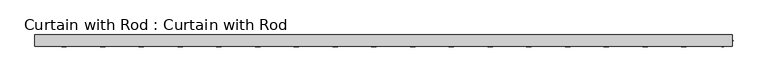
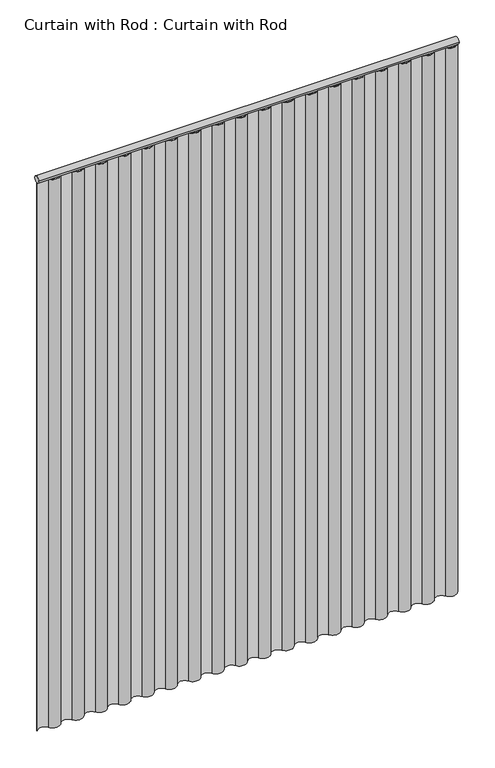
"""IFC4 building model written with IfcOpenShell, lengths in millimetres: proxy geometry, Curtain with Rod : Curtain with Rod."""

from ifc_helpers import new_model, si_unit, point, frame, frame_2d, origin, origin_with_axes, place, context, project, spatial, polyline, circle_curve, trimmed, segment, composite_curve, outline, extrude, source, transform, mapped, element, save


def curtain_with_rod_curtain_with_rod_47df902a(model_context):
    return source(origin(), model_context, "Body", "SweptSolid", [
        extrude(outline(composite_curve([segment(trimmed(circle_curve(frame_2d((0.0, 2171.7)), 12.7), [point((-12.7, 2171.7))], [point((12.7, 2171.7))], False, "CARTESIAN"), True, "CONTINUOUS"), segment(trimmed(circle_curve(frame_2d((0.0, 2171.7)), 12.7), [point((12.7, 2171.7))], [point((-12.7, 2171.7))], False, "CARTESIAN"), True, "CONTINUOUS")], self_intersect=False)), frame((-782.5157253, 0.0, 0.0), z_axis=(1.0, 0.0, 0.0), x_axis=(0.0, 1.0, 0.0)), (0.0, 0.0, 1.0), 1565.0314506),
        extrude(outline(composite_curve([segment(trimmed(circle_curve(frame_2d((-717.3060815, 12.9840404)), 25.3192184), [point((-739.0426294, 0.0))], [point((-695.5695336, 0.0))], True, "CARTESIAN"), True, "CONTINUOUS"), segment(trimmed(circle_curve(frame_2d((-673.8329857, -12.9840404)), 25.3192184), [point((-695.5695336, 0.0))], [point((-652.0964377, 0.0))], False, "CARTESIAN"), True, "CONTINUOUS"), segment(trimmed(circle_curve(frame_2d((-630.3598898, 12.9840404)), 25.3192184), [point((-652.0964377, 0.0))], [point((-608.6233419, 0.0))], True, "CARTESIAN"), True, "CONTINUOUS"), segment(trimmed(circle_curve(frame_2d((-586.886794, -12.9840404)), 25.3192184), [point((-608.6233419, 0.0))], [point((-565.150246, 0.0))], False, "CARTESIAN"), True, "CONTINUOUS"), segment(trimmed(circle_curve(frame_2d((-543.4136981, 12.9840404)), 25.3192184), [point((-565.150246, 0.0))], [point((-521.6771502, 0.0))], True, "CARTESIAN"), True, "CONTINUOUS"), segment(trimmed(circle_curve(frame_2d((-499.9406023, -12.9840404)), 25.3192184), [point((-521.6771502, 0.0))], [point((-478.2040543, 0.0))], False, "CARTESIAN"), True, "CONTINUOUS"), segment(trimmed(circle_curve(frame_2d((-456.4675064, 12.9840404)), 25.3192184), [point((-478.2040543, 0.0))], [point((-434.7309585, 0.0))], True, "CARTESIAN"), True, "CONTINUOUS"), segment(trimmed(circle_curve(frame_2d((-412.9944106, -12.9840404)), 25.3192184), [point((-434.7309585, 0.0))], [point((-391.2578626, 0.0))], False, "CARTESIAN"), True, "CONTINUOUS"), segment(trimmed(circle_curve(frame_2d((-369.5213147, 12.9840404)), 25.3192184), [point((-391.2578626, 0.0))], [point((-347.7847668, 0.0))], True, "CARTESIAN"), True, "CONTINUOUS"), segment(trimmed(circle_curve(frame_2d((-326.0482189, -12.9840404)), 25.3192184), [point((-347.7847668, 0.0))], [point((-304.3116709, 0.0))], False, "CARTESIAN"), True, "CONTINUOUS"), segment(trimmed(circle_curve(frame_2d((-282.575123, 12.9840404)), 25.3192184), [point((-304.3116709, 0.0))], [point((-260.8385751, 0.0))], True, "CARTESIAN"), True, "CONTINUOUS"), segment(trimmed(circle_curve(frame_2d((-239.1020272, -12.9840404)), 25.3192184), [point((-260.8385751, 0.0))], [point((-217.3654792, 0.0))], False, "CARTESIAN"), True, "CONTINUOUS"), segment(trimmed(circle_curve(frame_2d((-195.6289313, 12.9840404)), 25.3192184), [point((-217.3654792, 0.0))], [point((-173.8923834, 0.0))], True, "CARTESIAN"), True, "CONTINUOUS"), segment(trimmed(circle_curve(frame_2d((-152.1558355, -12.9840404)), 25.3192184), [point((-173.8923834, 0.0))], [point((-130.4192875, 0.0))], False, "CARTESIAN"), True, "CONTINUOUS"), segment(trimmed(circle_curve(frame_2d((-108.6827396, 12.9840404)), 25.3192184), [point((-130.4192875, 0.0))], [point((-86.9461917, 0.0))], True, "CARTESIAN"), True, "CONTINUOUS"), segment(trimmed(circle_curve(frame_2d((-65.2096438, -12.9840404)), 25.3192184), [point((-86.9461917, 0.0))], [point((-43.4730958, 0.0))], False, "CARTESIAN"), True, "CONTINUOUS"), segment(trimmed(circle_curve(frame_2d((-21.7365479, 12.9840404)), 25.3192184), [point((-43.4730958, 0.0))], [point((0.0, 0.0))], True, "CARTESIAN"), True, "CONTINUOUS"), segment(trimmed(circle_curve(frame_2d((21.7365479, -12.9840404)), 25.3192184), [point((0.0, 0.0))], [point((43.4730958, 0.0))], False, "CARTESIAN"), True, "CONTINUOUS"), segment(trimmed(circle_curve(frame_2d((65.2096438, 12.9840404)), 25.3192184), [point((43.4730958, 0.0))], [point((86.9461917, 0.0))], True, "CARTESIAN"), True, "CONTINUOUS"), segment(trimmed(circle_curve(frame_2d((108.6827396, -12.9840404)), 25.3192184), [point((86.9461917, 0.0))], [point((130.4192875, 0.0))], False, "CARTESIAN"), True, "CONTINUOUS"), segment(trimmed(circle_curve(frame_2d((152.1558355, 12.9840404)), 25.3192184), [point((130.4192875, 0.0))], [point((173.8923834, 0.0))], True, "CARTESIAN"), True, "CONTINUOUS"), segment(trimmed(circle_curve(frame_2d((195.6289313, -12.9840404)), 25.3192184), [point((173.8923834, 0.0))], [point((217.3654792, 0.0))], False, "CARTESIAN"), True, "CONTINUOUS"), segment(trimmed(circle_curve(frame_2d((239.1020272, 12.9840404)), 25.3192184), [point((217.3654792, 0.0))], [point((260.8385751, 0.0))], True, "CARTESIAN"), True, "CONTINUOUS"), segment(trimmed(circle_curve(frame_2d((282.575123, -12.9840404)), 25.3192184), [point((260.8385751, 0.0))], [point((304.3116709, 0.0))], False, "CARTESIAN"), True, "CONTINUOUS"), segment(trimmed(circle_curve(frame_2d((326.0482189, 12.9840404)), 25.3192184), [point((304.3116709, 0.0))], [point((347.7847668, 0.0))], True, "CARTESIAN"), True, "CONTINUOUS"), segment(trimmed(circle_curve(frame_2d((369.5213147, -12.9840404)), 25.3192184), [point((347.7847668, 0.0))], [point((391.2578626, 0.0))], False, "CARTESIAN"), True, "CONTINUOUS"), segment(trimmed(circle_curve(frame_2d((412.9944106, 12.9840404)), 25.3192184), [point((391.2578626, 0.0))], [point((434.7309585, 0.0))], True, "CARTESIAN"), True, "CONTINUOUS"), segment(trimmed(circle_curve(frame_2d((456.4675064, -12.9840404)), 25.3192184), [point((434.7309585, 0.0))], [point((478.2040543, 0.0))], False, "CARTESIAN"), True, "CONTINUOUS"), segment(trimmed(circle_curve(frame_2d((499.9406023, 12.9840404)), 25.3192184), [point((478.2040543, 0.0))], [point((521.6771502, 0.0))], True, "CARTESIAN"), True, "CONTINUOUS"), segment(trimmed(circle_curve(frame_2d((543.4136981, -12.9840404)), 25.3192184), [point((521.6771502, 0.0))], [point((565.150246, 0.0))], False, "CARTESIAN"), True, "CONTINUOUS"), segment(trimmed(circle_curve(frame_2d((586.886794, 12.9840404)), 25.3192184), [point((565.150246, 0.0))], [point((608.6233419, 0.0))], True, "CARTESIAN"), True, "CONTINUOUS"), segment(trimmed(circle_curve(frame_2d((630.3598898, -12.9840404)), 25.3192184), [point((608.6233419, 0.0))], [point((652.0964377, 0.0))], False, "CARTESIAN"), True, "CONTINUOUS"), segment(trimmed(circle_curve(frame_2d((673.8329857, 12.9840404)), 25.3192184), [point((652.0964377, 0.0))], [point((695.5695336, 0.0))], True, "CARTESIAN"), True, "CONTINUOUS"), segment(trimmed(circle_curve(frame_2d((717.3060815, -12.9750287)), 25.3145982), [point((695.5695336, 0.0))], [point((739.0426294, 0.0))], False, "CARTESIAN"), True, "CONTINUOUS"), segment(trimmed(circle_curve(frame_2d((760.7791774, 13.0672402)), 25.361985), [point((739.0426294, 0.0))], [point((782.5157253, 0.0))], True, "CARTESIAN"), True, "CONTINUOUS"), segment(polyline([(782.5157253, 0.0), (784.3467747, 0.0)]), True, "CONTINUOUS"), segment(trimmed(circle_curve(frame_2d((760.7791774, 13.0672402)), 26.947809), [point((784.3467747, 0.0))], [point((737.6618708, -0.7810285))], False, "CARTESIAN"), True, "CONTINUOUS"), segment(trimmed(circle_curve(frame_2d((717.3060815, -12.9750287)), 23.7287125), [point((737.6618708, -0.7810285))], [point((696.9331238, -0.8097341))], True, "CARTESIAN"), True, "CONTINUOUS"), segment(trimmed(circle_curve(frame_2d((673.8329857, 12.9840404)), 26.9051036), [point((696.9331238, -0.8097341))], [point((650.7349554, -0.8132635))], False, "CARTESIAN"), True, "CONTINUOUS"), segment(trimmed(circle_curve(frame_2d((630.3598898, -12.9840404)), 23.7333332), [point((650.7349554, -0.8132635))], [point((609.9848243, -0.8132635))], True, "CARTESIAN"), True, "CONTINUOUS"), segment(trimmed(circle_curve(frame_2d((586.886794, 12.9840404)), 26.9051036), [point((609.9848243, -0.8132635))], [point((563.7887637, -0.8132635))], False, "CARTESIAN"), True, "CONTINUOUS"), segment(trimmed(circle_curve(frame_2d((543.4136981, -12.9840404)), 23.7333332), [point((563.7887637, -0.8132635))], [point((523.0386326, -0.8132635))], True, "CARTESIAN"), True, "CONTINUOUS"), segment(trimmed(circle_curve(frame_2d((499.9406023, 12.9840404)), 26.9051036), [point((523.0386326, -0.8132635))], [point((476.842572, -0.8132635))], False, "CARTESIAN"), True, "CONTINUOUS"), segment(trimmed(circle_curve(frame_2d((456.4675064, -12.9840404)), 23.7333332), [point((476.842572, -0.8132635))], [point((436.0924409, -0.8132635))], True, "CARTESIAN"), True, "CONTINUOUS"), segment(trimmed(circle_curve(frame_2d((412.9944106, 12.9840404)), 26.9051036), [point((436.0924409, -0.8132635))], [point((389.8963803, -0.8132635))], False, "CARTESIAN"), True, "CONTINUOUS"), segment(trimmed(circle_curve(frame_2d((369.5213147, -12.9840404)), 23.7333332), [point((389.8963803, -0.8132635))], [point((349.1462492, -0.8132635))], True, "CARTESIAN"), True, "CONTINUOUS"), segment(trimmed(circle_curve(frame_2d((326.0482189, 12.9840404)), 26.9051036), [point((349.1462492, -0.8132635))], [point((302.9501886, -0.8132635))], False, "CARTESIAN"), True, "CONTINUOUS"), segment(trimmed(circle_curve(frame_2d((282.575123, -12.9840404)), 23.7333332), [point((302.9501886, -0.8132635))], [point((262.2000575, -0.8132635))], True, "CARTESIAN"), True, "CONTINUOUS"), segment(trimmed(circle_curve(frame_2d((239.1020272, 12.9840404)), 26.9051036), [point((262.2000575, -0.8132635))], [point((216.0039969, -0.8132635))], False, "CARTESIAN"), True, "CONTINUOUS"), segment(trimmed(circle_curve(frame_2d((195.6289313, -12.9840404)), 23.7333332), [point((216.0039969, -0.8132635))], [point((175.2538658, -0.8132635))], True, "CARTESIAN"), True, "CONTINUOUS"), segment(trimmed(circle_curve(frame_2d((152.1558355, 12.9840404)), 26.9051036), [point((175.2538658, -0.8132635))], [point((129.0578052, -0.8132635))], False, "CARTESIAN"), True, "CONTINUOUS"), segment(trimmed(circle_curve(frame_2d((108.6827396, -12.9840404)), 23.7333332), [point((129.0578052, -0.8132635))], [point((88.3076741, -0.8132635))], True, "CARTESIAN"), True, "CONTINUOUS"), segment(trimmed(circle_curve(frame_2d((65.2096438, 12.9840404)), 26.9051036), [point((88.3076741, -0.8132635))], [point((42.1116135, -0.8132635))], False, "CARTESIAN"), True, "CONTINUOUS"), segment(trimmed(circle_curve(frame_2d((21.7365479, -12.9840404)), 23.7333332), [point((42.1116135, -0.8132635))], [point((1.3614824, -0.8132635))], True, "CARTESIAN"), True, "CONTINUOUS"), segment(trimmed(circle_curve(frame_2d((-21.7365479, 12.9840404)), 26.9051036), [point((1.3614824, -0.8132635))], [point((-44.8345782, -0.8132635))], False, "CARTESIAN"), True, "CONTINUOUS"), segment(trimmed(circle_curve(frame_2d((-65.2096438, -12.9840404)), 23.7333332), [point((-44.8345782, -0.8132635))], [point((-85.5847093, -0.8132635))], True, "CARTESIAN"), True, "CONTINUOUS"), segment(trimmed(circle_curve(frame_2d((-108.6827396, 12.9840404)), 26.9051036), [point((-85.5847093, -0.8132635))], [point((-131.7807699, -0.8132635))], False, "CARTESIAN"), True, "CONTINUOUS"), segment(trimmed(circle_curve(frame_2d((-152.1558355, -12.9840404)), 23.7333332), [point((-131.7807699, -0.8132635))], [point((-172.530901, -0.8132635))], True, "CARTESIAN"), True, "CONTINUOUS"), segment(trimmed(circle_curve(frame_2d((-195.6289313, 12.9840404)), 26.9051036), [point((-172.530901, -0.8132635))], [point((-218.7269616, -0.8132635))], False, "CARTESIAN"), True, "CONTINUOUS"), segment(trimmed(circle_curve(frame_2d((-239.1020272, -12.9840404)), 23.7333332), [point((-218.7269616, -0.8132635))], [point((-259.4770927, -0.8132635))], True, "CARTESIAN"), True, "CONTINUOUS"), segment(trimmed(circle_curve(frame_2d((-282.575123, 12.9840404)), 26.9051036), [point((-259.4770927, -0.8132635))], [point((-305.6731533, -0.8132635))], False, "CARTESIAN"), True, "CONTINUOUS"), segment(trimmed(circle_curve(frame_2d((-326.0482189, -12.9840404)), 23.7333332), [point((-305.6731533, -0.8132635))], [point((-346.4232844, -0.8132635))], True, "CARTESIAN"), True, "CONTINUOUS"), segment(trimmed(circle_curve(frame_2d((-369.5213147, 12.9840404)), 26.9051036), [point((-346.4232844, -0.8132635))], [point((-392.619345, -0.8132635))], False, "CARTESIAN"), True, "CONTINUOUS"), segment(trimmed(circle_curve(frame_2d((-412.9944106, -12.9840404)), 23.7333332), [point((-392.619345, -0.8132635))], [point((-433.3694761, -0.8132635))], True, "CARTESIAN"), True, "CONTINUOUS"), segment(trimmed(circle_curve(frame_2d((-456.4675064, 12.9840404)), 26.9051036), [point((-433.3694761, -0.8132635))], [point((-479.5655367, -0.8132635))], False, "CARTESIAN"), True, "CONTINUOUS"), segment(trimmed(circle_curve(frame_2d((-499.9406023, -12.9840404)), 23.7333332), [point((-479.5655367, -0.8132635))], [point((-520.3156678, -0.8132635))], True, "CARTESIAN"), True, "CONTINUOUS"), segment(trimmed(circle_curve(frame_2d((-543.4136981, 12.9840404)), 26.9051036), [point((-520.3156678, -0.8132635))], [point((-566.5117284, -0.8132635))], False, "CARTESIAN"), True, "CONTINUOUS"), segment(trimmed(circle_curve(frame_2d((-586.886794, -12.9840404)), 23.7333332), [point((-566.5117284, -0.8132635))], [point((-607.2618595, -0.8132635))], True, "CARTESIAN"), True, "CONTINUOUS"), segment(trimmed(circle_curve(frame_2d((-630.3598898, 12.9840404)), 26.9051036), [point((-607.2618595, -0.8132635))], [point((-653.4579201, -0.8132635))], False, "CARTESIAN"), True, "CONTINUOUS"), segment(trimmed(circle_curve(frame_2d((-673.8329857, -12.9840404)), 23.7333332), [point((-653.4579201, -0.8132635))], [point((-694.2080512, -0.8132635))], True, "CARTESIAN"), True, "CONTINUOUS"), segment(trimmed(circle_curve(frame_2d((-717.3060815, 12.9840404)), 26.9051036), [point((-694.2080512, -0.8132635))], [point((-740.4048858, -0.8119678))], False, "CARTESIAN"), True, "CONTINUOUS"), segment(trimmed(circle_curve(frame_2d((-760.7791774, -12.8997295)), 23.6902035), [point((-740.4048858, -0.8119678))], [point((-780.6493238, 0.0))], True, "CARTESIAN"), True, "CONTINUOUS"), segment(polyline([(-780.6493238, 0.0), (-782.5157253, 0.0)]), True, "CONTINUOUS"), segment(trimmed(circle_curve(frame_2d((-760.7791774, -12.8997295)), 25.2760862), [point((-782.5157253, 0.0))], [point((-739.0426294, 0.0))], False, "CARTESIAN"), True, "CONTINUOUS")], self_intersect=False)), origin_with_axes(), (0.0, 0.0, 1.0), 2159.0),
    ])


if __name__ == "__main__":
    model = new_model("IFC4")
    model_context = context("Model", 3, world=origin())
    ifc_project = project(units=[si_unit("LENGTHUNIT", "METRE", prefix="MILLI")], contexts=[model_context])
    site = spatial("IfcSite", under=ifc_project)
    building = spatial("IfcBuilding", under=site)
    placement = place(None, origin())
    curtain_with_rod_curtain_with_rod_shape = curtain_with_rod_curtain_with_rod_47df902a(model_context)
    element("IfcBuildingElementProxy", 1, Name="Curtain with Rod : Curtain with Rod", ObjectType="Curtain with Rod : Curtain with Rod", at=placement, inside=building, context=model_context, shape_type="MappedRepresentation", body=[
        mapped(curtain_with_rod_curtain_with_rod_shape, transform((0.0, 0.0, 0.0), x_axis=(1.0, 0.0, 0.0), y_axis=(0.0, 1.0, 0.0), z_axis=(0.0, 0.0, 1.0))),
    ])
    save(model, "model.ifc")
